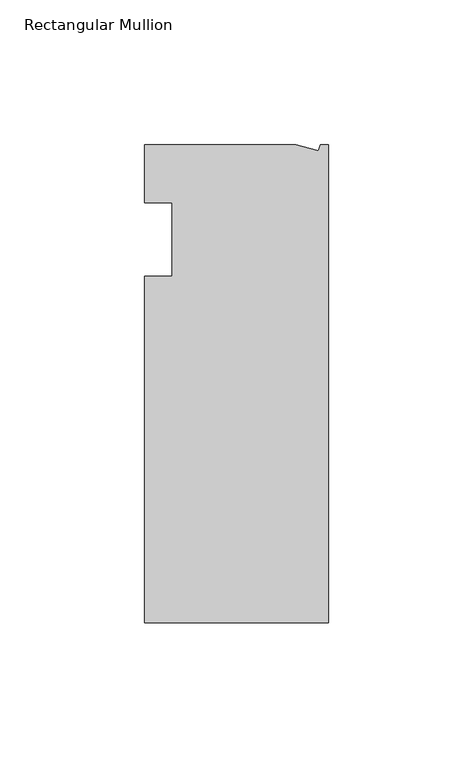
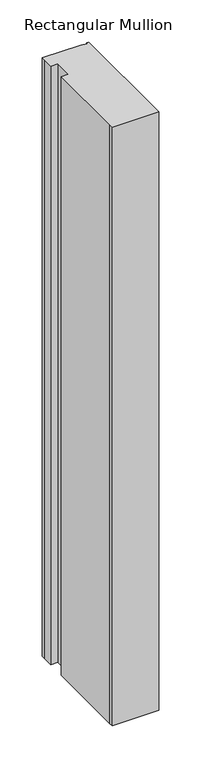
"""IFC4 building model written with IfcOpenShell, lengths in millimetres: member geometry, Rectangular Mullion."""

from ifc_helpers import new_model, si_unit, frame, origin, place, context, project, spatial, polyline, outline, extrude, source, transform, mapped, element, save


def rectangular_mullion_ea5f413b(model_context):
    return source(origin(), model_context, "Body", "SweptSolid", [
        extrude(outline(polyline([(0.0, -132.5561012), (-63.5, -132.5561012), (-63.5, -126.2061012), (-63.5, -12.8054199), (-53.975, -12.8054199), (-53.975, 12.5945801), (-63.5, 12.5945801), (-63.5, 26.1938988), (-63.5, 32.5438988), (-11.121847, 32.5438988), (-3.3341886, 30.4622958), (-2.7616541, 32.5438988), (0.0, 32.5438988), (0.0, -132.5561012)])), frame((0.0, 0.0, -863.6), z_axis=(0.0, 0.0, 1.0), x_axis=(1.0, 0.0, 0.0)), (0.0, 0.0, 1.0), 863.6),
    ])


if __name__ == "__main__":
    model = new_model("IFC4")
    model_context = context("Model", 3, world=origin())
    ifc_project = project(units=[si_unit("LENGTHUNIT", "METRE", prefix="MILLI")], contexts=[model_context])
    site = spatial("IfcSite", under=ifc_project)
    building = spatial("IfcBuilding", under=site)
    placement = place(None, origin())
    rectangular_mullion_shape = rectangular_mullion_ea5f413b(model_context)
    element("IfcMember", 1, ObjectType="Rectangular Mullion", at=placement, inside=building, context=model_context, shape_type="MappedRepresentation", body=[
        mapped(rectangular_mullion_shape, transform((0.0, 0.0, 0.0), x_axis=(1.0, 0.0, 0.0), y_axis=(0.0, 1.0, 0.0), z_axis=(0.0, 0.0, 1.0))),
    ])
    save(model, "model.ifc")
